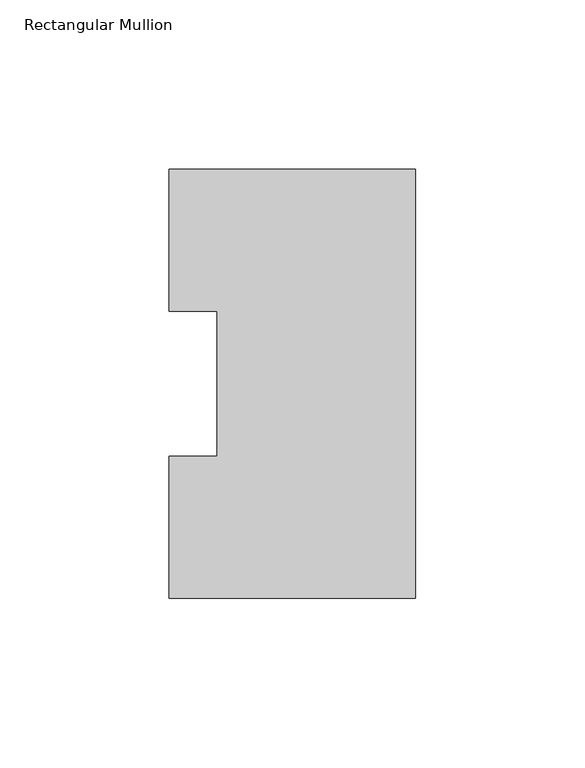
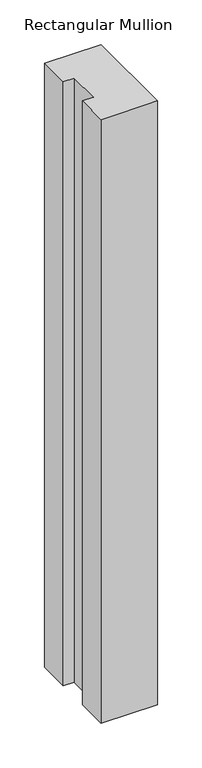
"""IFC4 building model written with IfcOpenShell, lengths in millimetres: member geometry, Rectangular Mullion."""

from ifc_helpers import new_model, si_unit, frame, origin, place, context, project, spatial, polyline, outline, extrude, source, transform, mapped, element, save


def rectangular_mullion_b70fa177(model_context):
    return source(origin(), model_context, "Body", "SweptSolid", [
        extrude(outline(polyline([(-73.025, 126.7086938), (0.0, 126.7086938), (0.0, -0.2913062), (-73.025, -0.2913062), (-73.025, 41.7837938), (-58.7375, 41.7837938), (-58.7375, 84.6335938), (-73.025, 84.6335938), (-73.025, 126.7086938)])), frame((0.0, 0.0, -825.5177772), z_axis=(0.0, 0.0, 1.0), x_axis=(1.0, 0.0, 0.0)), (0.0, 0.0, 1.0), 825.5177772),
    ])


if __name__ == "__main__":
    model = new_model("IFC4")
    model_context = context("Model", 3, world=origin())
    ifc_project = project(units=[si_unit("LENGTHUNIT", "METRE", prefix="MILLI")], contexts=[model_context])
    site = spatial("IfcSite", under=ifc_project)
    building = spatial("IfcBuilding", under=site)
    placement = place(None, origin())
    rectangular_mullion_shape = rectangular_mullion_b70fa177(model_context)
    element("IfcMember", 1, ObjectType="Rectangular Mullion", at=placement, inside=building, context=model_context, shape_type="MappedRepresentation", body=[
        mapped(rectangular_mullion_shape, transform((0.0, 0.0, 0.0), x_axis=(1.0, 0.0, 0.0), y_axis=(0.0, 1.0, 0.0), z_axis=(0.0, 0.0, 1.0))),
    ])
    save(model, "model.ifc")
